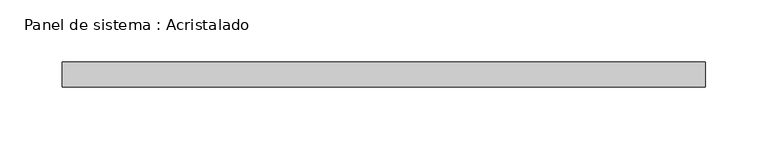
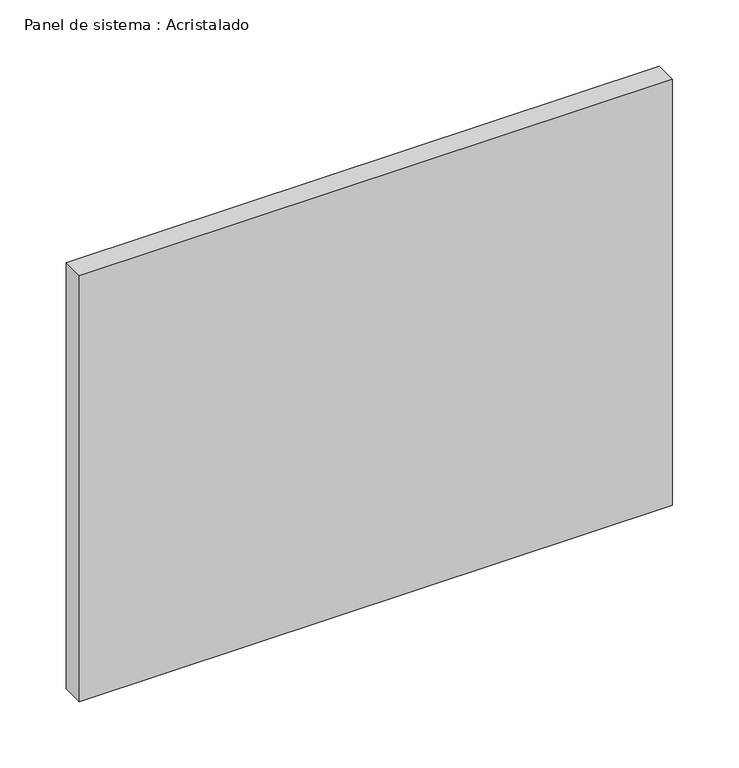
"""IFC4 building model written with IfcOpenShell, lengths in millimetres: plate geometry, Panel de sistema : Acristalado."""

from ifc_helpers import new_model, si_unit, origin, origin_with_axes, place, context, project, spatial, polyline, outline, extrude, source, transform, mapped, element, save


def panel_de_sistema_acristalado_05ccc808(model_context):
    return source(origin(), model_context, "Body", "SweptSolid", [
        extrude(outline(polyline([(258.5, -10.0), (-258.5, -10.0), (-258.5, 10.0), (258.5, 10.0), (258.5, -10.0)])), origin_with_axes(), (0.0, 0.0, 1.0), 392.7452144),
    ])


if __name__ == "__main__":
    model = new_model("IFC4")
    model_context = context("Model", 3, world=origin())
    ifc_project = project(units=[si_unit("LENGTHUNIT", "METRE", prefix="MILLI")], contexts=[model_context])
    site = spatial("IfcSite", under=ifc_project)
    building = spatial("IfcBuilding", under=site)
    placement = place(None, origin())
    panel_de_sistema_acristalado_shape = panel_de_sistema_acristalado_05ccc808(model_context)
    element("IfcPlate", 1, ObjectType="Panel de sistema : Acristalado", at=placement, inside=building, context=model_context, shape_type="MappedRepresentation", body=[
        mapped(panel_de_sistema_acristalado_shape, transform((0.0, 0.0, 0.0), x_axis=(1.0, 0.0, 0.0), y_axis=(0.0, 1.0, 0.0), z_axis=(0.0, 0.0, 1.0))),
    ])
    save(model, "model.ifc")
